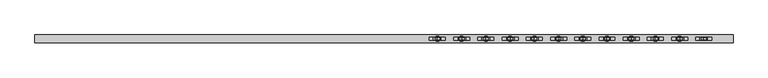
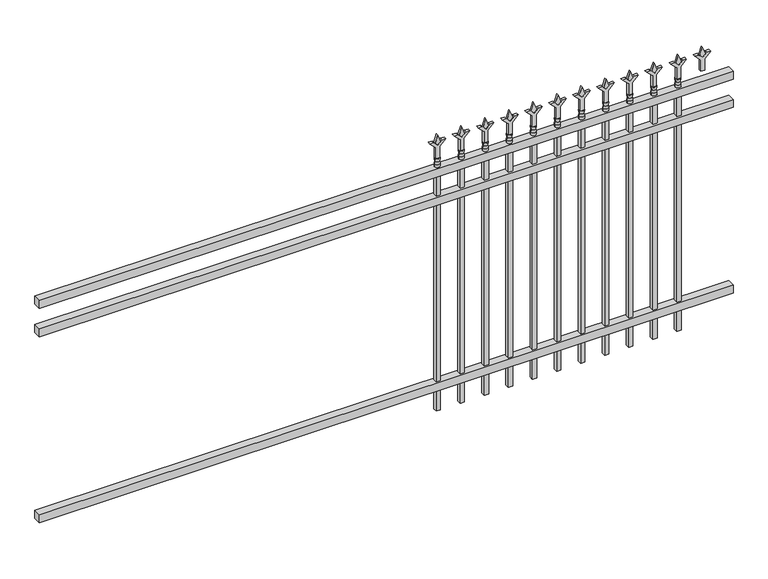
"""IFC4 building model written with IfcOpenShell, lengths in millimetres: railing geometry."""

import ifcopenshell
import ifcopenshell.guid

model = None  # the IFC model being written
_history = None  # IfcOwnerHistory: only IFC2X3 demands one
_inside = {}  # id of a spatial element -> (the spatial element, [elements in it])
_under = {}  # id of a project, library or spatial element -> (it, [spatial elements below it])
_declared = {}  # id of a project -> (the project, [libraries it declares])
_typed = {}  # id of a type object -> (the type object, [elements of that type])
_made_of = {}  # id of a material, layer set ... -> (it, [elements and type objects made of it])


def new_model(schema):
    """Start an empty IFC model of exactly this schema.

    Asked for "IFC4X3", IfcOpenShell would pick the latest addendum, in which some entities
    have other attributes; the version numbers below select the first issue.
    IFC2X3 requires an IfcOwnerHistory on every rooted entity: one is made here for all.
    """
    global model, _history
    if schema == "IFC4X3":
        model = ifcopenshell.file(schema_version=(4, 3, 0, 0))
    else:
        model = ifcopenshell.file(schema=schema)
    _inside.clear()
    _under.clear()
    _declared.clear()
    _typed.clear()
    _made_of.clear()
    _history = None
    if model.schema == "IFC2X3":
        org = make("IfcOrganization", Name="unknown")
        user = make(
            "IfcPersonAndOrganization",
            ThePerson=make("IfcPerson", FamilyName="unknown"),
            TheOrganization=org,
        )
        app = make(
            "IfcApplication",
            ApplicationDeveloper=org,
            Version="unknown",
            ApplicationFullName="unknown",
            ApplicationIdentifier="unknown",
        )
        _history = make(
            "IfcOwnerHistory",
            OwningUser=user,
            OwningApplication=app,
            ChangeAction="ADDED",
            CreationDate=0,
        )
    return model


def make(cls, **values):
    """One entity of the class cls with the attributes given. An attribute that is None is left unset."""
    return model.create_entity(
        cls, **{name: value for name, value in values.items() if value is not None}
    )


def rooted(cls, **values):
    """An entity with a GlobalId (a new one), such as an element, a storey or a relation."""
    return make(cls, GlobalId=ifcopenshell.guid.new(), OwnerHistory=_history, **values)


def si_unit(unit_type, name, prefix=None):
    """IfcSIUnit, for example si_unit("LENGTHUNIT", "METRE", prefix="MILLI")."""
    return make("IfcSIUnit", UnitType=unit_type, Prefix=prefix, Name=name)


def assignment(units):
    """IfcUnitAssignment: the units of a project."""
    return None if units is None else make("IfcUnitAssignment", Units=units)


def point(xyz):
    """IfcCartesianPoint."""
    return None if xyz is None else make("IfcCartesianPoint", Coordinates=xyz)


def direction(xyz):
    """IfcDirection."""
    return None if xyz is None else make("IfcDirection", DirectionRatios=xyz)


def frame(location, z_axis=None, x_axis=None):
    """IfcAxis2Placement3D, a coordinate frame: its origin and axes. An axis left out is left unset."""
    return make(
        "IfcAxis2Placement3D",
        Location=point(location),
        Axis=direction(z_axis),
        RefDirection=direction(x_axis),
    )


def origin():
    """The frame at (0, 0, 0) with its axes left unset."""
    return frame((0.0, 0.0, 0.0))


def place(relative_to, where):
    """IfcLocalPlacement: puts the frame where relative to a parent placement (None: the world)."""
    return make(
        "IfcLocalPlacement", PlacementRelTo=relative_to, RelativePlacement=where
    )


def context(
    kind, dimensions, precision=None, world=None, true_north=None, identifier=None
):
    """IfcGeometricRepresentationContext, for example the 3D "Model" context."""
    return make(
        "IfcGeometricRepresentationContext",
        ContextIdentifier=identifier,
        ContextType=kind,
        CoordinateSpaceDimension=dimensions,
        Precision=precision,
        WorldCoordinateSystem=world,
        TrueNorth=true_north,
    )


def project(units=None, contexts=None):
    """IfcProject with its units and contexts."""
    return rooted(
        "IfcProject",
        Name="project",
        RepresentationContexts=contexts,
        UnitsInContext=assignment(units),
    )


def spatial(cls, under=None, at=None, **own):
    """A site, building, storey or space (cls), placed at a placement, below another one or the project."""
    s = rooted(cls, ObjectPlacement=at, **own)
    if under is not None:
        _under.setdefault(under.id(), (under, []))[1].append(s)
    return s


def polyline(points):
    """IfcPolyline through the points."""
    return make("IfcPolyline", Points=[point(p) for p in points])


def circle_curve(where, radius):
    """IfcCircle in the frame where."""
    return make("IfcCircle", Position=where, Radius=radius)


def outline(outer, holes=None, kind="AREA"):
    """IfcArbitraryClosedProfileDef: a profile drawn as a closed curve; with holes, ...WithVoids."""
    if holes is None:
        return make("IfcArbitraryClosedProfileDef", ProfileType=kind, OuterCurve=outer)
    return make(
        "IfcArbitraryProfileDefWithVoids",
        ProfileType=kind,
        OuterCurve=outer,
        InnerCurves=holes,
    )


def extrude(swept, where, along, depth):
    """IfcExtrudedAreaSolid: the profile swept, set in the frame where, extruded along a direction by depth."""
    return make(
        "IfcExtrudedAreaSolid",
        SweptArea=swept,
        Position=where,
        ExtrudedDirection=direction(along),
        Depth=depth,
    )


def shape(context_of_items, identifier, shape_type, items):
    """IfcShapeRepresentation: the items that make up one representation, for example the "Body"."""
    return make(
        "IfcShapeRepresentation",
        ContextOfItems=context_of_items,
        RepresentationIdentifier=identifier,
        RepresentationType=shape_type,
        Items=items,
    )


def source(mapping_origin, context_of_items, identifier, shape_type, items):
    """IfcRepresentationMap: a shape defined once, which mapped items show again and again."""
    return make(
        "IfcRepresentationMap",
        MappingOrigin=mapping_origin,
        MappedRepresentation=shape(context_of_items, identifier, shape_type, items),
    )


def transform(
    local_origin,
    x_axis=None,
    y_axis=None,
    z_axis=None,
    scale=None,
    scale2=None,
    scale3=None,
    uniform=True,
):
    """IfcCartesianTransformationOperator3D, or its non-uniform kind. x_axis, y_axis, z_axis: its Axis1, 2, 3."""
    if uniform:
        return make(
            "IfcCartesianTransformationOperator3D",
            Axis1=direction(x_axis),
            Axis2=direction(y_axis),
            LocalOrigin=point(local_origin),
            Scale=scale,
            Axis3=direction(z_axis),
        )
    return make(
        "IfcCartesianTransformationOperator3DnonUniform",
        Axis1=direction(x_axis),
        Axis2=direction(y_axis),
        LocalOrigin=point(local_origin),
        Scale=scale,
        Axis3=direction(z_axis),
        Scale2=scale2,
        Scale3=scale3,
    )


def mapped(mapping_source, mapping_target):
    """IfcMappedItem: shows the shape of a source again, moved by a transform."""
    return make(
        "IfcMappedItem", MappingSource=mapping_source, MappingTarget=mapping_target
    )


def made_of(thing, what):
    """Note that an element or type object is made of a material, layer set ...; save() writes the relation."""
    if what is not None:
        _made_of.setdefault(what.id(), (what, []))[1].append(thing)
    return thing


def element(
    cls,
    number,
    at=None,
    inside=None,
    cuts=None,
    type_object=None,
    material=None,
    context=None,
    identifier="Body",
    shape_type=None,
    held_by="IfcProductDefinitionShape",
    body=None,
    shapes=None,
    **own,
):
    """One element of the class cls, such as IfcWall. Its Tag is "e" and its number.

    at: its placement. inside: the storey or other place that contains it. cuts: it is an
    opening in that element (IfcRelVoidsElement). A single representation is given by context,
    identifier, shape_type and body (its items); several are given by shapes. held_by: the class
    of the entity that holds the representations. save() writes the other relations.
    """
    e = rooted(cls, Tag="e%d" % number, ObjectPlacement=at, **own)
    if body is not None:
        shapes = [shape(context, identifier, shape_type, body)]
    if shapes is not None:
        e.Representation = make(held_by, Representations=shapes)
    if inside is not None:
        _inside.setdefault(inside.id(), (inside, []))[1].append(e)
    if cuts is not None:
        rooted(
            "IfcRelVoidsElement", RelatingBuildingElement=cuts, RelatedOpeningElement=e
        )
    if type_object is not None:
        _typed.setdefault(type_object.id(), (type_object, []))[1].append(e)
    return made_of(e, material)


def aggregate(whole, parts):
    """IfcRelAggregates: a whole, such as a stair, and the parts it consists of."""
    return rooted("IfcRelAggregates", RelatingObject=whole, RelatedObjects=parts)


def save(model, path):
    """Write the relations noted so far, then the file.

    IfcRelAggregates (storeys below a building ...), IfcRelContainedInSpatialStructure (elements
    in a storey), IfcRelDefinesByType, IfcRelAssociatesMaterial and IfcRelDeclares: one each for
    every whole, place, type object, material and project.
    """
    for whole, parts in _under.values():
        aggregate(whole, parts)
    for where, things in _inside.values():
        rooted(
            "IfcRelContainedInSpatialStructure",
            RelatedElements=things,
            RelatingStructure=where,
        )
    for kind, things in _typed.values():
        rooted("IfcRelDefinesByType", RelatedObjects=things, RelatingType=kind)
    for what, things in _made_of.values():
        rooted("IfcRelAssociatesMaterial", RelatedObjects=things, RelatingMaterial=what)
    for by, libraries in _declared.values():
        rooted("IfcRelDeclares", RelatingContext=by, RelatedDefinitions=libraries)
    model.write(path)


def plane_surface(at):
    """IfcPlane: the flat surface through the origin of the frame at, square to its z axis."""
    return make("IfcPlane", Position=at)


def cylinder_surface(at, radius):
    """IfcCylindricalSurface: all points at the distance radius from the z axis of the frame at."""
    return make("IfcCylindricalSurface", Position=at, Radius=radius)


def revolved_surface(curve, axis_point, axis_direction):
    """IfcSurfaceOfRevolution: the curve turned about the line through axis_point along axis_direction."""
    return make(
        "IfcSurfaceOfRevolution",
        SweptCurve=make("IfcArbitraryOpenProfileDef", ProfileType="CURVE", Curve=curve),
        AxisPosition=make("IfcAxis1Placement", Location=point(axis_point), Axis=direction(axis_direction)),
    )


def advanced_brep(points, edges, surfaces, faces):
    """IfcAdvancedBrep: a solid bounded by faces that lie on surfaces and meet in shared edges.

    An edge is (start, end): straight between two places in points (the first is 0);
    or (start, end, curve); or (start, end, curve, False) where it runs against its curve.
    A face is (place in surfaces, loops), or (place, loops, False) where it looks against
    its surface's normal. A loop lists edges by number (the first is 1), with a minus sign
    where the edge is run from its end to its start. The first loop is the outer one.
    """
    corners = [point(p) for p in points]
    vertices = [make("IfcVertexPoint", VertexGeometry=c) for c in corners]
    made = []
    for start, end, *more in edges:
        made.append(
            make(
                "IfcEdgeCurve",
                EdgeStart=vertices[start],
                EdgeEnd=vertices[end],
                EdgeGeometry=more[0] if more else make("IfcPolyline", Points=[corners[start], corners[end]]),
                SameSense=more[1] if len(more) > 1 else True,
            )
        )
    hull = []
    for where, loops, *sense in faces:
        bounds = []
        for j, loop in enumerate(loops):
            ring = [make("IfcOrientedEdge", EdgeElement=made[abs(k) - 1], Orientation=k > 0) for k in loop]
            bounds.append(
                make(
                    "IfcFaceOuterBound" if j == 0 else "IfcFaceBound",
                    Bound=make("IfcEdgeLoop", EdgeList=ring),
                    Orientation=True,
                )
            )
        hull.append(make("IfcAdvancedFace", Bounds=bounds, FaceSurface=surfaces[where], SameSense=sense[0] if sense else True))
    return make("IfcAdvancedBrep", Outer=make("IfcClosedShell", CfsFaces=hull))


def railing_87eea2e6(model_context):
    return source(origin(), model_context, "Body", "SolidModel", [
        extrude(outline(polyline([(-73537.318087, -652.7195174), (-73537.318087, -617.7945174), (-70387.718087, -617.7945174), (-70387.718087, -652.7195174), (-73537.318087, -652.7195174)])), frame((0.0, 0.0, 1181.1), z_axis=(0.0, 0.0, 1.0), x_axis=(1.0, 0.0, 0.0)), (0.0, 0.0, 1.0), 38.1),
        extrude(outline(polyline([(-73537.318087, -652.7195174), (-73537.318087, -617.7945174), (-70387.718087, -617.7945174), (-70387.718087, -652.7195174), (-73537.318087, -652.7195174)])), frame((0.0, 0.0, 1044.575), z_axis=(0.0, 0.0, 1.0), x_axis=(1.0, 0.0, 0.0)), (0.0, 0.0, 1.0), 38.1),
        extrude(outline(polyline([(-73537.318087, -652.7195174), (-73537.318087, -617.7945174), (-70387.718087, -617.7945174), (-70387.718087, -652.7195174), (-73537.318087, -652.7195174)])), frame((0.0, 0.0, 152.4), z_axis=(0.0, 0.0, 1.0), x_axis=(1.0, 0.0, 0.0)), (0.0, 0.0, 1.0), 38.1),
        extrude(outline(polyline([(1335.88125, -70616.8472536), (1371.6, -70628.7535036), (1335.88125, -70640.6597536), (1323.975, -70628.7535036), (1335.88125, -70616.8472536)])), frame((0.0, -640.0195174, 0.0), z_axis=(0.0, 1.0, 0.0), x_axis=(0.0, 0.0, 1.0)), (0.0, 0.0, 1.0), 9.525),
        extrude(outline(polyline([(1260.475, -70620.0222536), (1314.7457378, -70620.0222536), (1341.9355122, -70592.8324791), (1341.9355122, -70610.7929914), (1323.975, -70628.7535036), (1341.9355122, -70646.7140159), (1341.9355122, -70664.6745281), (1314.7457378, -70637.4847536), (1260.475, -70637.4847536), (1260.475, -70620.0222536)])), frame((0.0, -641.6070174, 0.0), z_axis=(0.0, 1.0, 0.0), x_axis=(0.0, 0.0, 1.0)), (0.0, 0.0, 1.0), 12.7),
        advanced_brep(
        [(-70616.8472536, -635.2570174, 1231.9), (-70640.6597536, -635.2570174, 1231.9), (-70640.6597536, -635.2570174, 1219.2), (-70616.8472536, -635.2570174, 1219.2), (-70619.0525855, -635.2570174, 1244.4070585), (-70638.4544218, -635.2570174, 1244.4070585), (-70616.8472536, -635.2570174, 1260.475), (-70640.6597536, -635.2570174, 1260.475), (-70628.7535036, -635.2570174, 1260.475), (-70628.7535036, -635.2570174, 1219.2)],
        [
            (0, 1, circle_curve(frame((-70628.7535036, -635.2570174, 1231.9), z_axis=(0.0, 0.0, -1.0), x_axis=(-1.0, 0.0, 0.0)), 11.90625)),
            (1, 2),
            (2, 3, circle_curve(frame((-70628.7535036, -635.2570174, 1219.2), z_axis=(0.0, 0.0, 1.0), x_axis=(-1.0, 0.0, 0.0)), 11.90625)),
            (3, 0),
            (1, 0, circle_curve(frame((-70628.7535036, -635.2570174, 1231.9), z_axis=(0.0, 0.0, -1.0), x_axis=(-1.0, 0.0, 0.0)), 11.90625)),
            (3, 2, circle_curve(frame((-70628.7535036, -635.2570174, 1219.2), z_axis=(0.0, 0.0, 1.0), x_axis=(-1.0, 0.0, 0.0)), 11.90625)),
            (4, 5, circle_curve(frame((-70628.7535036, -635.2570174, 1244.4070585), z_axis=(0.0, 0.0, -1.0), x_axis=(-1.0, 0.0, 0.0)), 9.7009181)),
            (5, 1),
            (0, 4),
            (5, 4, circle_curve(frame((-70628.7535036, -635.2570174, 1244.4070585), z_axis=(0.0, 0.0, -1.0), x_axis=(-1.0, 0.0, 0.0)), 9.7009181)),
            (6, 7, circle_curve(frame((-70628.7535036, -635.2570174, 1260.475), z_axis=(0.0, 0.0, -1.0), x_axis=(-1.0, 0.0, 0.0)), 11.90625)),
            (7, 5),
            (4, 6),
            (7, 6, circle_curve(frame((-70628.7535036, -635.2570174, 1260.475), z_axis=(0.0, 0.0, -1.0), x_axis=(-1.0, 0.0, 0.0)), 11.90625)),
            (8, 7),
            (6, 8),
            (2, 9),
            (9, 3),
        ],
        [
            cylinder_surface(frame((-70628.7535036, -635.2570174, 1219.2), z_axis=(0.0, 0.0, 1.0), x_axis=(-1.0, 0.0, 0.0)), 11.90625),
            revolved_surface(polyline([(-70640.6597536, -635.2570174, 1231.9), (-70638.4544218, -635.2570174, 1244.4070585)]), (-70628.7535036, -635.2570174, 1219.2), (0.0, 0.0, 1.0)),
            revolved_surface(polyline([(-70638.4544218, -635.2570174, 1244.4070585), (-70640.6597536, -635.2570174, 1260.475)]), (-70628.7535036, -635.2570174, 1219.2), (0.0, 0.0, 1.0)),
            plane_surface(frame((-70628.7535036, -635.2570174, 1260.475), z_axis=(0.0, 0.0, 1.0), x_axis=(-1.0, 0.0, 0.0))),
            plane_surface(frame((-70628.7535036, -635.2570174, 1219.2), z_axis=(0.0, 0.0, -1.0), x_axis=(-1.0, 0.0, 0.0))),
        ],
        [
            (0, [[1, 2, 3, 4]]),
            (0, [[5, -4, 6, -2]]),
            (1, [[7, 8, -1, 9]]),
            (1, [[10, -9, -5, -8]]),
            (2, [[11, 12, -7, 13]]),
            (2, [[14, -13, -10, -12]]),
            (3, [[15, -11, 16]]),
            (3, [[-16, -14, -15]]),
            (4, [[-3, 17, 18]]),
            (4, [[-6, -18, -17]]),
        ],
    ),
        extrude(outline(polyline([(-70638.2785036, -625.7320174), (-70619.2285036, -625.7320174), (-70619.2285036, -644.7820174), (-70638.2785036, -644.7820174), (-70638.2785036, -625.7320174)])), frame((0.0, 0.0, 50.8), z_axis=(0.0, 0.0, 1.0), x_axis=(1.0, 0.0, 0.0)), (0.0, 0.0, 1.0), 1168.4),
        extrude(outline(polyline([(1335.88125, -70726.1201703), (1371.6, -70738.0264203), (1335.88125, -70749.9326703), (1323.975, -70738.0264203), (1335.88125, -70726.1201703)])), frame((0.0, -640.0195174, 0.0), z_axis=(0.0, 1.0, 0.0), x_axis=(0.0, 0.0, 1.0)), (0.0, 0.0, 1.0), 9.525),
        extrude(outline(polyline([(1260.475, -70729.2951703), (1314.7457378, -70729.2951703), (1341.9355122, -70702.1053958), (1341.9355122, -70720.0659081), (1323.975, -70738.0264203), (1341.9355122, -70755.9869325), (1341.9355122, -70773.9474448), (1314.7457378, -70746.7576703), (1260.475, -70746.7576703), (1260.475, -70729.2951703)])), frame((0.0, -641.6070174, 0.0), z_axis=(0.0, 1.0, 0.0), x_axis=(0.0, 0.0, 1.0)), (0.0, 0.0, 1.0), 12.7),
        advanced_brep(
        [(-70726.1201703, -635.2570174, 1231.9), (-70749.9326703, -635.2570174, 1231.9), (-70749.9326703, -635.2570174, 1219.2), (-70726.1201703, -635.2570174, 1219.2), (-70728.3255022, -635.2570174, 1244.4070585), (-70747.7273384, -635.2570174, 1244.4070585), (-70726.1201703, -635.2570174, 1260.475), (-70749.9326703, -635.2570174, 1260.475), (-70738.0264203, -635.2570174, 1260.475), (-70738.0264203, -635.2570174, 1219.2)],
        [
            (0, 1, circle_curve(frame((-70738.0264203, -635.2570174, 1231.9), z_axis=(0.0, 0.0, -1.0), x_axis=(-1.0, 0.0, 0.0)), 11.90625)),
            (1, 2),
            (2, 3, circle_curve(frame((-70738.0264203, -635.2570174, 1219.2), z_axis=(0.0, 0.0, 1.0), x_axis=(-1.0, 0.0, 0.0)), 11.90625)),
            (3, 0),
            (1, 0, circle_curve(frame((-70738.0264203, -635.2570174, 1231.9), z_axis=(0.0, 0.0, -1.0), x_axis=(-1.0, 0.0, 0.0)), 11.90625)),
            (3, 2, circle_curve(frame((-70738.0264203, -635.2570174, 1219.2), z_axis=(0.0, 0.0, 1.0), x_axis=(-1.0, 0.0, 0.0)), 11.90625)),
            (4, 5, circle_curve(frame((-70738.0264203, -635.2570174, 1244.4070585), z_axis=(0.0, 0.0, -1.0), x_axis=(-1.0, 0.0, 0.0)), 9.7009181)),
            (5, 1),
            (0, 4),
            (5, 4, circle_curve(frame((-70738.0264203, -635.2570174, 1244.4070585), z_axis=(0.0, 0.0, -1.0), x_axis=(-1.0, 0.0, 0.0)), 9.7009181)),
            (6, 7, circle_curve(frame((-70738.0264203, -635.2570174, 1260.475), z_axis=(0.0, 0.0, -1.0), x_axis=(-1.0, 0.0, 0.0)), 11.90625)),
            (7, 5),
            (4, 6),
            (7, 6, circle_curve(frame((-70738.0264203, -635.2570174, 1260.475), z_axis=(0.0, 0.0, -1.0), x_axis=(-1.0, 0.0, 0.0)), 11.90625)),
            (8, 7),
            (6, 8),
            (2, 9),
            (9, 3),
        ],
        [
            cylinder_surface(frame((-70738.0264203, -635.2570174, 1219.2), z_axis=(0.0, 0.0, 1.0), x_axis=(-1.0, 0.0, 0.0)), 11.90625),
            revolved_surface(polyline([(-70749.9326703, -635.2570174, 1231.9), (-70747.7273384, -635.2570174, 1244.4070585)]), (-70738.0264203, -635.2570174, 1219.2), (0.0, 0.0, 1.0)),
            revolved_surface(polyline([(-70747.7273384, -635.2570174, 1244.4070585), (-70749.9326703, -635.2570174, 1260.475)]), (-70738.0264203, -635.2570174, 1219.2), (0.0, 0.0, 1.0)),
            plane_surface(frame((-70738.0264203, -635.2570174, 1260.475), z_axis=(0.0, 0.0, 1.0), x_axis=(-1.0, 0.0, 0.0))),
            plane_surface(frame((-70738.0264203, -635.2570174, 1219.2), z_axis=(0.0, 0.0, -1.0), x_axis=(-1.0, 0.0, 0.0))),
        ],
        [
            (0, [[1, 2, 3, 4]]),
            (0, [[5, -4, 6, -2]]),
            (1, [[7, 8, -1, 9]]),
            (1, [[10, -9, -5, -8]]),
            (2, [[11, 12, -7, 13]]),
            (2, [[14, -13, -10, -12]]),
            (3, [[15, -11, 16]]),
            (3, [[-16, -14, -15]]),
            (4, [[-3, 17, 18]]),
            (4, [[-6, -18, -17]]),
        ],
    ),
        extrude(outline(polyline([(-70747.5514203, -625.7320174), (-70728.5014203, -625.7320174), (-70728.5014203, -644.7820174), (-70747.5514203, -644.7820174), (-70747.5514203, -625.7320174)])), frame((0.0, 0.0, 50.8), z_axis=(0.0, 0.0, 1.0), x_axis=(1.0, 0.0, 0.0)), (0.0, 0.0, 1.0), 1168.4),
        extrude(outline(polyline([(1335.88125, -70835.393087), (1371.6, -70847.299337), (1335.88125, -70859.205587), (1323.975, -70847.299337), (1335.88125, -70835.393087)])), frame((0.0, -640.0195174, 0.0), z_axis=(0.0, 1.0, 0.0), x_axis=(0.0, 0.0, 1.0)), (0.0, 0.0, 1.0), 9.525),
        extrude(outline(polyline([(1260.475, -70838.568087), (1314.7457378, -70838.568087), (1341.9355122, -70811.3783125), (1341.9355122, -70829.3388247), (1323.975, -70847.299337), (1341.9355122, -70865.2598492), (1341.9355122, -70883.2203614), (1314.7457378, -70856.030587), (1260.475, -70856.030587), (1260.475, -70838.568087)])), frame((0.0, -641.6070174, 0.0), z_axis=(0.0, 1.0, 0.0), x_axis=(0.0, 0.0, 1.0)), (0.0, 0.0, 1.0), 12.7),
        advanced_brep(
        [(-70835.393087, -635.2570174, 1231.9), (-70859.205587, -635.2570174, 1231.9), (-70859.205587, -635.2570174, 1219.2), (-70835.393087, -635.2570174, 1219.2), (-70837.5984188, -635.2570174, 1244.4070585), (-70857.0002551, -635.2570174, 1244.4070585), (-70835.393087, -635.2570174, 1260.475), (-70859.205587, -635.2570174, 1260.475), (-70847.299337, -635.2570174, 1260.475), (-70847.299337, -635.2570174, 1219.2)],
        [
            (0, 1, circle_curve(frame((-70847.299337, -635.2570174, 1231.9), z_axis=(0.0, 0.0, -1.0), x_axis=(-1.0, 0.0, 0.0)), 11.90625)),
            (1, 2),
            (2, 3, circle_curve(frame((-70847.299337, -635.2570174, 1219.2), z_axis=(0.0, 0.0, 1.0), x_axis=(-1.0, 0.0, 0.0)), 11.90625)),
            (3, 0),
            (1, 0, circle_curve(frame((-70847.299337, -635.2570174, 1231.9), z_axis=(0.0, 0.0, -1.0), x_axis=(-1.0, 0.0, 0.0)), 11.90625)),
            (3, 2, circle_curve(frame((-70847.299337, -635.2570174, 1219.2), z_axis=(0.0, 0.0, 1.0), x_axis=(-1.0, 0.0, 0.0)), 11.90625)),
            (4, 5, circle_curve(frame((-70847.299337, -635.2570174, 1244.4070585), z_axis=(0.0, 0.0, -1.0), x_axis=(-1.0, 0.0, 0.0)), 9.7009181)),
            (5, 1),
            (0, 4),
            (5, 4, circle_curve(frame((-70847.299337, -635.2570174, 1244.4070585), z_axis=(0.0, 0.0, -1.0), x_axis=(-1.0, 0.0, 0.0)), 9.7009181)),
            (6, 7, circle_curve(frame((-70847.299337, -635.2570174, 1260.475), z_axis=(0.0, 0.0, -1.0), x_axis=(-1.0, 0.0, 0.0)), 11.90625)),
            (7, 5),
            (4, 6),
            (7, 6, circle_curve(frame((-70847.299337, -635.2570174, 1260.475), z_axis=(0.0, 0.0, -1.0), x_axis=(-1.0, 0.0, 0.0)), 11.90625)),
            (8, 7),
            (6, 8),
            (2, 9),
            (9, 3),
        ],
        [
            cylinder_surface(frame((-70847.299337, -635.2570174, 1219.2), z_axis=(0.0, 0.0, 1.0), x_axis=(-1.0, 0.0, 0.0)), 11.90625),
            revolved_surface(polyline([(-70859.205587, -635.2570174, 1231.9), (-70857.0002551, -635.2570174, 1244.4070585)]), (-70847.299337, -635.2570174, 1219.2), (0.0, 0.0, 1.0)),
            revolved_surface(polyline([(-70857.0002551, -635.2570174, 1244.4070585), (-70859.205587, -635.2570174, 1260.475)]), (-70847.299337, -635.2570174, 1219.2), (0.0, 0.0, 1.0)),
            plane_surface(frame((-70847.299337, -635.2570174, 1260.475), z_axis=(0.0, 0.0, 1.0), x_axis=(-1.0, 0.0, 0.0))),
            plane_surface(frame((-70847.299337, -635.2570174, 1219.2), z_axis=(0.0, 0.0, -1.0), x_axis=(-1.0, 0.0, 0.0))),
        ],
        [
            (0, [[1, 2, 3, 4]]),
            (0, [[5, -4, 6, -2]]),
            (1, [[7, 8, -1, 9]]),
            (1, [[10, -9, -5, -8]]),
            (2, [[11, 12, -7, 13]]),
            (2, [[14, -13, -10, -12]]),
            (3, [[15, -11, 16]]),
            (3, [[-16, -14, -15]]),
            (4, [[-3, 17, 18]]),
            (4, [[-6, -18, -17]]),
        ],
    ),
        extrude(outline(polyline([(-70856.824337, -625.7320174), (-70837.774337, -625.7320174), (-70837.774337, -644.7820174), (-70856.824337, -644.7820174), (-70856.824337, -625.7320174)])), frame((0.0, 0.0, 50.8), z_axis=(0.0, 0.0, 1.0), x_axis=(1.0, 0.0, 0.0)), (0.0, 0.0, 1.0), 1168.4),
        extrude(outline(polyline([(1335.88125, -70944.6660036), (1371.6, -70956.5722536), (1335.88125, -70968.4785036), (1323.975, -70956.5722536), (1335.88125, -70944.6660036)])), frame((0.0, -640.0195174, 0.0), z_axis=(0.0, 1.0, 0.0), x_axis=(0.0, 0.0, 1.0)), (0.0, 0.0, 1.0), 9.525),
        extrude(outline(polyline([(1260.475, -70947.8410036), (1314.7457378, -70947.8410036), (1341.9355122, -70920.6512291), (1341.9355122, -70938.6117414), (1323.975, -70956.5722536), (1341.9355122, -70974.5327659), (1341.9355122, -70992.4932781), (1314.7457378, -70965.3035036), (1260.475, -70965.3035036), (1260.475, -70947.8410036)])), frame((0.0, -641.6070174, 0.0), z_axis=(0.0, 1.0, 0.0), x_axis=(0.0, 0.0, 1.0)), (0.0, 0.0, 1.0), 12.7),
        advanced_brep(
        [(-70944.6660036, -635.2570174, 1231.9), (-70968.4785036, -635.2570174, 1231.9), (-70968.4785036, -635.2570174, 1219.2), (-70944.6660036, -635.2570174, 1219.2), (-70946.8713355, -635.2570174, 1244.4070585), (-70966.2731718, -635.2570174, 1244.4070585), (-70944.6660036, -635.2570174, 1260.475), (-70968.4785036, -635.2570174, 1260.475), (-70956.5722536, -635.2570174, 1260.475), (-70956.5722536, -635.2570174, 1219.2)],
        [
            (0, 1, circle_curve(frame((-70956.5722536, -635.2570174, 1231.9), z_axis=(0.0, 0.0, -1.0), x_axis=(-1.0, 0.0, 0.0)), 11.90625)),
            (1, 2),
            (2, 3, circle_curve(frame((-70956.5722536, -635.2570174, 1219.2), z_axis=(0.0, 0.0, 1.0), x_axis=(-1.0, 0.0, 0.0)), 11.90625)),
            (3, 0),
            (1, 0, circle_curve(frame((-70956.5722536, -635.2570174, 1231.9), z_axis=(0.0, 0.0, -1.0), x_axis=(-1.0, 0.0, 0.0)), 11.90625)),
            (3, 2, circle_curve(frame((-70956.5722536, -635.2570174, 1219.2), z_axis=(0.0, 0.0, 1.0), x_axis=(-1.0, 0.0, 0.0)), 11.90625)),
            (4, 5, circle_curve(frame((-70956.5722536, -635.2570174, 1244.4070585), z_axis=(0.0, 0.0, -1.0), x_axis=(-1.0, 0.0, 0.0)), 9.7009181)),
            (5, 1),
            (0, 4),
            (5, 4, circle_curve(frame((-70956.5722536, -635.2570174, 1244.4070585), z_axis=(0.0, 0.0, -1.0), x_axis=(-1.0, 0.0, 0.0)), 9.7009181)),
            (6, 7, circle_curve(frame((-70956.5722536, -635.2570174, 1260.475), z_axis=(0.0, 0.0, -1.0), x_axis=(-1.0, 0.0, 0.0)), 11.90625)),
            (7, 5),
            (4, 6),
            (7, 6, circle_curve(frame((-70956.5722536, -635.2570174, 1260.475), z_axis=(0.0, 0.0, -1.0), x_axis=(-1.0, 0.0, 0.0)), 11.90625)),
            (8, 7),
            (6, 8),
            (2, 9),
            (9, 3),
        ],
        [
            cylinder_surface(frame((-70956.5722536, -635.2570174, 1219.2), z_axis=(0.0, 0.0, 1.0), x_axis=(-1.0, 0.0, 0.0)), 11.90625),
            revolved_surface(polyline([(-70968.4785036, -635.2570174, 1231.9), (-70966.2731718, -635.2570174, 1244.4070585)]), (-70956.5722536, -635.2570174, 1219.2), (0.0, 0.0, 1.0)),
            revolved_surface(polyline([(-70966.2731718, -635.2570174, 1244.4070585), (-70968.4785036, -635.2570174, 1260.475)]), (-70956.5722536, -635.2570174, 1219.2), (0.0, 0.0, 1.0)),
            plane_surface(frame((-70956.5722536, -635.2570174, 1260.475), z_axis=(0.0, 0.0, 1.0), x_axis=(-1.0, 0.0, 0.0))),
            plane_surface(frame((-70956.5722536, -635.2570174, 1219.2), z_axis=(0.0, 0.0, -1.0), x_axis=(-1.0, 0.0, 0.0))),
        ],
        [
            (0, [[1, 2, 3, 4]]),
            (0, [[5, -4, 6, -2]]),
            (1, [[7, 8, -1, 9]]),
            (1, [[10, -9, -5, -8]]),
            (2, [[11, 12, -7, 13]]),
            (2, [[14, -13, -10, -12]]),
            (3, [[15, -11, 16]]),
            (3, [[-16, -14, -15]]),
            (4, [[-3, 17, 18]]),
            (4, [[-6, -18, -17]]),
        ],
    ),
        extrude(outline(polyline([(-70966.0972536, -625.7320174), (-70947.0472536, -625.7320174), (-70947.0472536, -644.7820174), (-70966.0972536, -644.7820174), (-70966.0972536, -625.7320174)])), frame((0.0, 0.0, 50.8), z_axis=(0.0, 0.0, 1.0), x_axis=(1.0, 0.0, 0.0)), (0.0, 0.0, 1.0), 1168.4),
        extrude(outline(polyline([(1335.88125, -71053.9389203), (1371.6, -71065.8451703), (1335.88125, -71077.7514203), (1323.975, -71065.8451703), (1335.88125, -71053.9389203)])), frame((0.0, -640.0195174, 0.0), z_axis=(0.0, 1.0, 0.0), x_axis=(0.0, 0.0, 1.0)), (0.0, 0.0, 1.0), 9.525),
        extrude(outline(polyline([(1260.475, -71057.1139203), (1314.7457378, -71057.1139203), (1341.9355122, -71029.9241458), (1341.9355122, -71047.8846581), (1323.975, -71065.8451703), (1341.9355122, -71083.8056825), (1341.9355122, -71101.7661948), (1314.7457378, -71074.5764203), (1260.475, -71074.5764203), (1260.475, -71057.1139203)])), frame((0.0, -641.6070174, 0.0), z_axis=(0.0, 1.0, 0.0), x_axis=(0.0, 0.0, 1.0)), (0.0, 0.0, 1.0), 12.7),
        advanced_brep(
        [(-71053.9389203, -635.2570174, 1231.9), (-71077.7514203, -635.2570174, 1231.9), (-71077.7514203, -635.2570174, 1219.2), (-71053.9389203, -635.2570174, 1219.2), (-71056.1442522, -635.2570174, 1244.4070585), (-71075.5460884, -635.2570174, 1244.4070585), (-71053.9389203, -635.2570174, 1260.475), (-71077.7514203, -635.2570174, 1260.475), (-71065.8451703, -635.2570174, 1260.475), (-71065.8451703, -635.2570174, 1219.2)],
        [
            (0, 1, circle_curve(frame((-71065.8451703, -635.2570174, 1231.9), z_axis=(0.0, 0.0, -1.0), x_axis=(-1.0, 0.0, 0.0)), 11.90625)),
            (1, 2),
            (2, 3, circle_curve(frame((-71065.8451703, -635.2570174, 1219.2), z_axis=(0.0, 0.0, 1.0), x_axis=(-1.0, 0.0, 0.0)), 11.90625)),
            (3, 0),
            (1, 0, circle_curve(frame((-71065.8451703, -635.2570174, 1231.9), z_axis=(0.0, 0.0, -1.0), x_axis=(-1.0, 0.0, 0.0)), 11.90625)),
            (3, 2, circle_curve(frame((-71065.8451703, -635.2570174, 1219.2), z_axis=(0.0, 0.0, 1.0), x_axis=(-1.0, 0.0, 0.0)), 11.90625)),
            (4, 5, circle_curve(frame((-71065.8451703, -635.2570174, 1244.4070585), z_axis=(0.0, 0.0, -1.0), x_axis=(-1.0, 0.0, 0.0)), 9.7009181)),
            (5, 1),
            (0, 4),
            (5, 4, circle_curve(frame((-71065.8451703, -635.2570174, 1244.4070585), z_axis=(0.0, 0.0, -1.0), x_axis=(-1.0, 0.0, 0.0)), 9.7009181)),
            (6, 7, circle_curve(frame((-71065.8451703, -635.2570174, 1260.475), z_axis=(0.0, 0.0, -1.0), x_axis=(-1.0, 0.0, 0.0)), 11.90625)),
            (7, 5),
            (4, 6),
            (7, 6, circle_curve(frame((-71065.8451703, -635.2570174, 1260.475), z_axis=(0.0, 0.0, -1.0), x_axis=(-1.0, 0.0, 0.0)), 11.90625)),
            (8, 7),
            (6, 8),
            (2, 9),
            (9, 3),
        ],
        [
            cylinder_surface(frame((-71065.8451703, -635.2570174, 1219.2), z_axis=(0.0, 0.0, 1.0), x_axis=(-1.0, 0.0, 0.0)), 11.90625),
            revolved_surface(polyline([(-71077.7514203, -635.2570174, 1231.9), (-71075.5460884, -635.2570174, 1244.4070585)]), (-71065.8451703, -635.2570174, 1219.2), (0.0, 0.0, 1.0)),
            revolved_surface(polyline([(-71075.5460884, -635.2570174, 1244.4070585), (-71077.7514203, -635.2570174, 1260.475)]), (-71065.8451703, -635.2570174, 1219.2), (0.0, 0.0, 1.0)),
            plane_surface(frame((-71065.8451703, -635.2570174, 1260.475), z_axis=(0.0, 0.0, 1.0), x_axis=(-1.0, 0.0, 0.0))),
            plane_surface(frame((-71065.8451703, -635.2570174, 1219.2), z_axis=(0.0, 0.0, -1.0), x_axis=(-1.0, 0.0, 0.0))),
        ],
        [
            (0, [[1, 2, 3, 4]]),
            (0, [[5, -4, 6, -2]]),
            (1, [[7, 8, -1, 9]]),
            (1, [[10, -9, -5, -8]]),
            (2, [[11, 12, -7, 13]]),
            (2, [[14, -13, -10, -12]]),
            (3, [[15, -11, 16]]),
            (3, [[-16, -14, -15]]),
            (4, [[-3, 17, 18]]),
            (4, [[-6, -18, -17]]),
        ],
    ),
        extrude(outline(polyline([(-71075.3701703, -625.7320174), (-71056.3201703, -625.7320174), (-71056.3201703, -644.7820174), (-71075.3701703, -644.7820174), (-71075.3701703, -625.7320174)])), frame((0.0, 0.0, 50.8), z_axis=(0.0, 0.0, 1.0), x_axis=(1.0, 0.0, 0.0)), (0.0, 0.0, 1.0), 1168.4),
        extrude(outline(polyline([(1335.88125, -71163.211837), (1371.6, -71175.118087), (1335.88125, -71187.024337), (1323.975, -71175.118087), (1335.88125, -71163.211837)])), frame((0.0, -640.0195174, 0.0), z_axis=(0.0, 1.0, 0.0), x_axis=(0.0, 0.0, 1.0)), (0.0, 0.0, 1.0), 9.525),
        extrude(outline(polyline([(1260.475, -71166.386837), (1314.7457378, -71166.386837), (1341.9355122, -71139.1970625), (1341.9355122, -71157.1575747), (1323.975, -71175.118087), (1341.9355122, -71193.0785992), (1341.9355122, -71211.0391114), (1314.7457378, -71183.849337), (1260.475, -71183.849337), (1260.475, -71166.386837)])), frame((0.0, -641.6070174, 0.0), z_axis=(0.0, 1.0, 0.0), x_axis=(0.0, 0.0, 1.0)), (0.0, 0.0, 1.0), 12.7),
        advanced_brep(
        [(-71163.211837, -635.2570174, 1231.9), (-71187.024337, -635.2570174, 1231.9), (-71187.024337, -635.2570174, 1219.2), (-71163.211837, -635.2570174, 1219.2), (-71165.4171688, -635.2570174, 1244.4070585), (-71184.8190051, -635.2570174, 1244.4070585), (-71163.211837, -635.2570174, 1260.475), (-71187.024337, -635.2570174, 1260.475), (-71175.118087, -635.2570174, 1260.475), (-71175.118087, -635.2570174, 1219.2)],
        [
            (0, 1, circle_curve(frame((-71175.118087, -635.2570174, 1231.9), z_axis=(0.0, 0.0, -1.0), x_axis=(-1.0, 0.0, 0.0)), 11.90625)),
            (1, 2),
            (2, 3, circle_curve(frame((-71175.118087, -635.2570174, 1219.2), z_axis=(0.0, 0.0, 1.0), x_axis=(-1.0, 0.0, 0.0)), 11.90625)),
            (3, 0),
            (1, 0, circle_curve(frame((-71175.118087, -635.2570174, 1231.9), z_axis=(0.0, 0.0, -1.0), x_axis=(-1.0, 0.0, 0.0)), 11.90625)),
            (3, 2, circle_curve(frame((-71175.118087, -635.2570174, 1219.2), z_axis=(0.0, 0.0, 1.0), x_axis=(-1.0, 0.0, 0.0)), 11.90625)),
            (4, 5, circle_curve(frame((-71175.118087, -635.2570174, 1244.4070585), z_axis=(0.0, 0.0, -1.0), x_axis=(-1.0, 0.0, 0.0)), 9.7009181)),
            (5, 1),
            (0, 4),
            (5, 4, circle_curve(frame((-71175.118087, -635.2570174, 1244.4070585), z_axis=(0.0, 0.0, -1.0), x_axis=(-1.0, 0.0, 0.0)), 9.7009181)),
            (6, 7, circle_curve(frame((-71175.118087, -635.2570174, 1260.475), z_axis=(0.0, 0.0, -1.0), x_axis=(-1.0, 0.0, 0.0)), 11.90625)),
            (7, 5),
            (4, 6),
            (7, 6, circle_curve(frame((-71175.118087, -635.2570174, 1260.475), z_axis=(0.0, 0.0, -1.0), x_axis=(-1.0, 0.0, 0.0)), 11.90625)),
            (8, 7),
            (6, 8),
            (2, 9),
            (9, 3),
        ],
        [
            cylinder_surface(frame((-71175.118087, -635.2570174, 1219.2), z_axis=(0.0, 0.0, 1.0), x_axis=(-1.0, 0.0, 0.0)), 11.90625),
            revolved_surface(polyline([(-71187.024337, -635.2570174, 1231.9), (-71184.8190051, -635.2570174, 1244.4070585)]), (-71175.118087, -635.2570174, 1219.2), (0.0, 0.0, 1.0)),
            revolved_surface(polyline([(-71184.8190051, -635.2570174, 1244.4070585), (-71187.024337, -635.2570174, 1260.475)]), (-71175.118087, -635.2570174, 1219.2), (0.0, 0.0, 1.0)),
            plane_surface(frame((-71175.118087, -635.2570174, 1260.475), z_axis=(0.0, 0.0, 1.0), x_axis=(-1.0, 0.0, 0.0))),
            plane_surface(frame((-71175.118087, -635.2570174, 1219.2), z_axis=(0.0, 0.0, -1.0), x_axis=(-1.0, 0.0, 0.0))),
        ],
        [
            (0, [[1, 2, 3, 4]]),
            (0, [[5, -4, 6, -2]]),
            (1, [[7, 8, -1, 9]]),
            (1, [[10, -9, -5, -8]]),
            (2, [[11, 12, -7, 13]]),
            (2, [[14, -13, -10, -12]]),
            (3, [[15, -11, 16]]),
            (3, [[-16, -14, -15]]),
            (4, [[-3, 17, 18]]),
            (4, [[-6, -18, -17]]),
        ],
    ),
        extrude(outline(polyline([(-71184.643087, -625.7320174), (-71165.593087, -625.7320174), (-71165.593087, -644.7820174), (-71184.643087, -644.7820174), (-71184.643087, -625.7320174)])), frame((0.0, 0.0, 50.8), z_axis=(0.0, 0.0, 1.0), x_axis=(1.0, 0.0, 0.0)), (0.0, 0.0, 1.0), 1168.4),
        extrude(outline(polyline([(1335.88125, -71272.4847536), (1371.6, -71284.3910036), (1335.88125, -71296.2972536), (1323.975, -71284.3910036), (1335.88125, -71272.4847536)])), frame((0.0, -640.0195174, 0.0), z_axis=(0.0, 1.0, 0.0), x_axis=(0.0, 0.0, 1.0)), (0.0, 0.0, 1.0), 9.525),
        extrude(outline(polyline([(1260.475, -71275.6597536), (1314.7457378, -71275.6597536), (1341.9355122, -71248.4699791), (1341.9355122, -71266.4304914), (1323.975, -71284.3910036), (1341.9355122, -71302.3515159), (1341.9355122, -71320.3120281), (1314.7457378, -71293.1222536), (1260.475, -71293.1222536), (1260.475, -71275.6597536)])), frame((0.0, -641.6070174, 0.0), z_axis=(0.0, 1.0, 0.0), x_axis=(0.0, 0.0, 1.0)), (0.0, 0.0, 1.0), 12.7),
        advanced_brep(
        [(-71272.4847536, -635.2570174, 1231.9), (-71296.2972536, -635.2570174, 1231.9), (-71296.2972536, -635.2570174, 1219.2), (-71272.4847536, -635.2570174, 1219.2), (-71274.6900855, -635.2570174, 1244.4070585), (-71294.0919218, -635.2570174, 1244.4070585), (-71272.4847536, -635.2570174, 1260.475), (-71296.2972536, -635.2570174, 1260.475), (-71284.3910036, -635.2570174, 1260.475), (-71284.3910036, -635.2570174, 1219.2)],
        [
            (0, 1, circle_curve(frame((-71284.3910036, -635.2570174, 1231.9), z_axis=(0.0, 0.0, -1.0), x_axis=(-1.0, 0.0, 0.0)), 11.90625)),
            (1, 2),
            (2, 3, circle_curve(frame((-71284.3910036, -635.2570174, 1219.2), z_axis=(0.0, 0.0, 1.0), x_axis=(-1.0, 0.0, 0.0)), 11.90625)),
            (3, 0),
            (1, 0, circle_curve(frame((-71284.3910036, -635.2570174, 1231.9), z_axis=(0.0, 0.0, -1.0), x_axis=(-1.0, 0.0, 0.0)), 11.90625)),
            (3, 2, circle_curve(frame((-71284.3910036, -635.2570174, 1219.2), z_axis=(0.0, 0.0, 1.0), x_axis=(-1.0, 0.0, 0.0)), 11.90625)),
            (4, 5, circle_curve(frame((-71284.3910036, -635.2570174, 1244.4070585), z_axis=(0.0, 0.0, -1.0), x_axis=(-1.0, 0.0, 0.0)), 9.7009181)),
            (5, 1),
            (0, 4),
            (5, 4, circle_curve(frame((-71284.3910036, -635.2570174, 1244.4070585), z_axis=(0.0, 0.0, -1.0), x_axis=(-1.0, 0.0, 0.0)), 9.7009181)),
            (6, 7, circle_curve(frame((-71284.3910036, -635.2570174, 1260.475), z_axis=(0.0, 0.0, -1.0), x_axis=(-1.0, 0.0, 0.0)), 11.90625)),
            (7, 5),
            (4, 6),
            (7, 6, circle_curve(frame((-71284.3910036, -635.2570174, 1260.475), z_axis=(0.0, 0.0, -1.0), x_axis=(-1.0, 0.0, 0.0)), 11.90625)),
            (8, 7),
            (6, 8),
            (2, 9),
            (9, 3),
        ],
        [
            cylinder_surface(frame((-71284.3910036, -635.2570174, 1219.2), z_axis=(0.0, 0.0, 1.0), x_axis=(-1.0, 0.0, 0.0)), 11.90625),
            revolved_surface(polyline([(-71296.2972536, -635.2570174, 1231.9), (-71294.0919218, -635.2570174, 1244.4070585)]), (-71284.3910036, -635.2570174, 1219.2), (0.0, 0.0, 1.0)),
            revolved_surface(polyline([(-71294.0919218, -635.2570174, 1244.4070585), (-71296.2972536, -635.2570174, 1260.475)]), (-71284.3910036, -635.2570174, 1219.2), (0.0, 0.0, 1.0)),
            plane_surface(frame((-71284.3910036, -635.2570174, 1260.475), z_axis=(0.0, 0.0, 1.0), x_axis=(-1.0, 0.0, 0.0))),
            plane_surface(frame((-71284.3910036, -635.2570174, 1219.2), z_axis=(0.0, 0.0, -1.0), x_axis=(-1.0, 0.0, 0.0))),
        ],
        [
            (0, [[1, 2, 3, 4]]),
            (0, [[5, -4, 6, -2]]),
            (1, [[7, 8, -1, 9]]),
            (1, [[10, -9, -5, -8]]),
            (2, [[11, 12, -7, 13]]),
            (2, [[14, -13, -10, -12]]),
            (3, [[15, -11, 16]]),
            (3, [[-16, -14, -15]]),
            (4, [[-3, 17, 18]]),
            (4, [[-6, -18, -17]]),
        ],
    ),
        extrude(outline(polyline([(-71293.9160036, -625.7320174), (-71274.8660036, -625.7320174), (-71274.8660036, -644.7820174), (-71293.9160036, -644.7820174), (-71293.9160036, -625.7320174)])), frame((0.0, 0.0, 50.8), z_axis=(0.0, 0.0, 1.0), x_axis=(1.0, 0.0, 0.0)), (0.0, 0.0, 1.0), 1168.4),
        extrude(outline(polyline([(1335.88125, -71381.7576703), (1371.6, -71393.6639203), (1335.88125, -71405.5701703), (1323.975, -71393.6639203), (1335.88125, -71381.7576703)])), frame((0.0, -640.0195174, 0.0), z_axis=(0.0, 1.0, 0.0), x_axis=(0.0, 0.0, 1.0)), (0.0, 0.0, 1.0), 9.525),
        extrude(outline(polyline([(1260.475, -71384.9326703), (1314.7457378, -71384.9326703), (1341.9355122, -71357.7428958), (1341.9355122, -71375.7034081), (1323.975, -71393.6639203), (1341.9355122, -71411.6244325), (1341.9355122, -71429.5849448), (1314.7457378, -71402.3951703), (1260.475, -71402.3951703), (1260.475, -71384.9326703)])), frame((0.0, -641.6070174, 0.0), z_axis=(0.0, 1.0, 0.0), x_axis=(0.0, 0.0, 1.0)), (0.0, 0.0, 1.0), 12.7),
        advanced_brep(
        [(-71381.7576703, -635.2570174, 1231.9), (-71405.5701703, -635.2570174, 1231.9), (-71405.5701703, -635.2570174, 1219.2), (-71381.7576703, -635.2570174, 1219.2), (-71383.9630022, -635.2570174, 1244.4070585), (-71403.3648384, -635.2570174, 1244.4070585), (-71381.7576703, -635.2570174, 1260.475), (-71405.5701703, -635.2570174, 1260.475), (-71393.6639203, -635.2570174, 1260.475), (-71393.6639203, -635.2570174, 1219.2)],
        [
            (0, 1, circle_curve(frame((-71393.6639203, -635.2570174, 1231.9), z_axis=(0.0, 0.0, -1.0), x_axis=(-1.0, 0.0, 0.0)), 11.90625)),
            (1, 2),
            (2, 3, circle_curve(frame((-71393.6639203, -635.2570174, 1219.2), z_axis=(0.0, 0.0, 1.0), x_axis=(-1.0, 0.0, 0.0)), 11.90625)),
            (3, 0),
            (1, 0, circle_curve(frame((-71393.6639203, -635.2570174, 1231.9), z_axis=(0.0, 0.0, -1.0), x_axis=(-1.0, 0.0, 0.0)), 11.90625)),
            (3, 2, circle_curve(frame((-71393.6639203, -635.2570174, 1219.2), z_axis=(0.0, 0.0, 1.0), x_axis=(-1.0, 0.0, 0.0)), 11.90625)),
            (4, 5, circle_curve(frame((-71393.6639203, -635.2570174, 1244.4070585), z_axis=(0.0, 0.0, -1.0), x_axis=(-1.0, 0.0, 0.0)), 9.7009181)),
            (5, 1),
            (0, 4),
            (5, 4, circle_curve(frame((-71393.6639203, -635.2570174, 1244.4070585), z_axis=(0.0, 0.0, -1.0), x_axis=(-1.0, 0.0, 0.0)), 9.7009181)),
            (6, 7, circle_curve(frame((-71393.6639203, -635.2570174, 1260.475), z_axis=(0.0, 0.0, -1.0), x_axis=(-1.0, 0.0, 0.0)), 11.90625)),
            (7, 5),
            (4, 6),
            (7, 6, circle_curve(frame((-71393.6639203, -635.2570174, 1260.475), z_axis=(0.0, 0.0, -1.0), x_axis=(-1.0, 0.0, 0.0)), 11.90625)),
            (8, 7),
            (6, 8),
            (2, 9),
            (9, 3),
        ],
        [
            cylinder_surface(frame((-71393.6639203, -635.2570174, 1219.2), z_axis=(0.0, 0.0, 1.0), x_axis=(-1.0, 0.0, 0.0)), 11.90625),
            revolved_surface(polyline([(-71405.5701703, -635.2570174, 1231.9), (-71403.3648384, -635.2570174, 1244.4070585)]), (-71393.6639203, -635.2570174, 1219.2), (0.0, 0.0, 1.0)),
            revolved_surface(polyline([(-71403.3648384, -635.2570174, 1244.4070585), (-71405.5701703, -635.2570174, 1260.475)]), (-71393.6639203, -635.2570174, 1219.2), (0.0, 0.0, 1.0)),
            plane_surface(frame((-71393.6639203, -635.2570174, 1260.475), z_axis=(0.0, 0.0, 1.0), x_axis=(-1.0, 0.0, 0.0))),
            plane_surface(frame((-71393.6639203, -635.2570174, 1219.2), z_axis=(0.0, 0.0, -1.0), x_axis=(-1.0, 0.0, 0.0))),
        ],
        [
            (0, [[1, 2, 3, 4]]),
            (0, [[5, -4, 6, -2]]),
            (1, [[7, 8, -1, 9]]),
            (1, [[10, -9, -5, -8]]),
            (2, [[11, 12, -7, 13]]),
            (2, [[14, -13, -10, -12]]),
            (3, [[15, -11, 16]]),
            (3, [[-16, -14, -15]]),
            (4, [[-3, 17, 18]]),
            (4, [[-6, -18, -17]]),
        ],
    ),
        extrude(outline(polyline([(-71403.1889203, -625.7320174), (-71384.1389203, -625.7320174), (-71384.1389203, -644.7820174), (-71403.1889203, -644.7820174), (-71403.1889203, -625.7320174)])), frame((0.0, 0.0, 50.8), z_axis=(0.0, 0.0, 1.0), x_axis=(1.0, 0.0, 0.0)), (0.0, 0.0, 1.0), 1168.4),
        extrude(outline(polyline([(1335.88125, -71491.030587), (1371.6, -71502.936837), (1335.88125, -71514.843087), (1323.975, -71502.936837), (1335.88125, -71491.030587)])), frame((0.0, -640.0195174, 0.0), z_axis=(0.0, 1.0, 0.0), x_axis=(0.0, 0.0, 1.0)), (0.0, 0.0, 1.0), 9.525),
        extrude(outline(polyline([(1260.475, -71494.205587), (1314.7457378, -71494.205587), (1341.9355122, -71467.0158125), (1341.9355122, -71484.9763247), (1323.975, -71502.936837), (1341.9355122, -71520.8973492), (1341.9355122, -71538.8578614), (1314.7457378, -71511.668087), (1260.475, -71511.668087), (1260.475, -71494.205587)])), frame((0.0, -641.6070174, 0.0), z_axis=(0.0, 1.0, 0.0), x_axis=(0.0, 0.0, 1.0)), (0.0, 0.0, 1.0), 12.7),
        advanced_brep(
        [(-71491.030587, -635.2570174, 1231.9), (-71514.843087, -635.2570174, 1231.9), (-71514.843087, -635.2570174, 1219.2), (-71491.030587, -635.2570174, 1219.2), (-71493.2359188, -635.2570174, 1244.4070585), (-71512.6377551, -635.2570174, 1244.4070585), (-71491.030587, -635.2570174, 1260.475), (-71514.843087, -635.2570174, 1260.475), (-71502.936837, -635.2570174, 1260.475), (-71502.936837, -635.2570174, 1219.2)],
        [
            (0, 1, circle_curve(frame((-71502.936837, -635.2570174, 1231.9), z_axis=(0.0, 0.0, -1.0), x_axis=(-1.0, 0.0, 0.0)), 11.90625)),
            (1, 2),
            (2, 3, circle_curve(frame((-71502.936837, -635.2570174, 1219.2), z_axis=(0.0, 0.0, 1.0), x_axis=(-1.0, 0.0, 0.0)), 11.90625)),
            (3, 0),
            (1, 0, circle_curve(frame((-71502.936837, -635.2570174, 1231.9), z_axis=(0.0, 0.0, -1.0), x_axis=(-1.0, 0.0, 0.0)), 11.90625)),
            (3, 2, circle_curve(frame((-71502.936837, -635.2570174, 1219.2), z_axis=(0.0, 0.0, 1.0), x_axis=(-1.0, 0.0, 0.0)), 11.90625)),
            (4, 5, circle_curve(frame((-71502.936837, -635.2570174, 1244.4070585), z_axis=(0.0, 0.0, -1.0), x_axis=(-1.0, 0.0, 0.0)), 9.7009181)),
            (5, 1),
            (0, 4),
            (5, 4, circle_curve(frame((-71502.936837, -635.2570174, 1244.4070585), z_axis=(0.0, 0.0, -1.0), x_axis=(-1.0, 0.0, 0.0)), 9.7009181)),
            (6, 7, circle_curve(frame((-71502.936837, -635.2570174, 1260.475), z_axis=(0.0, 0.0, -1.0), x_axis=(-1.0, 0.0, 0.0)), 11.90625)),
            (7, 5),
            (4, 6),
            (7, 6, circle_curve(frame((-71502.936837, -635.2570174, 1260.475), z_axis=(0.0, 0.0, -1.0), x_axis=(-1.0, 0.0, 0.0)), 11.90625)),
            (8, 7),
            (6, 8),
            (2, 9),
            (9, 3),
        ],
        [
            cylinder_surface(frame((-71502.936837, -635.2570174, 1219.2), z_axis=(0.0, 0.0, 1.0), x_axis=(-1.0, 0.0, 0.0)), 11.90625),
            revolved_surface(polyline([(-71514.843087, -635.2570174, 1231.9), (-71512.6377551, -635.2570174, 1244.4070585)]), (-71502.936837, -635.2570174, 1219.2), (0.0, 0.0, 1.0)),
            revolved_surface(polyline([(-71512.6377551, -635.2570174, 1244.4070585), (-71514.843087, -635.2570174, 1260.475)]), (-71502.936837, -635.2570174, 1219.2), (0.0, 0.0, 1.0)),
            plane_surface(frame((-71502.936837, -635.2570174, 1260.475), z_axis=(0.0, 0.0, 1.0), x_axis=(-1.0, 0.0, 0.0))),
            plane_surface(frame((-71502.936837, -635.2570174, 1219.2), z_axis=(0.0, 0.0, -1.0), x_axis=(-1.0, 0.0, 0.0))),
        ],
        [
            (0, [[1, 2, 3, 4]]),
            (0, [[5, -4, 6, -2]]),
            (1, [[7, 8, -1, 9]]),
            (1, [[10, -9, -5, -8]]),
            (2, [[11, 12, -7, 13]]),
            (2, [[14, -13, -10, -12]]),
            (3, [[15, -11, 16]]),
            (3, [[-16, -14, -15]]),
            (4, [[-3, 17, 18]]),
            (4, [[-6, -18, -17]]),
        ],
    ),
        extrude(outline(polyline([(-71512.461837, -625.7320174), (-71493.411837, -625.7320174), (-71493.411837, -644.7820174), (-71512.461837, -644.7820174), (-71512.461837, -625.7320174)])), frame((0.0, 0.0, 50.8), z_axis=(0.0, 0.0, 1.0), x_axis=(1.0, 0.0, 0.0)), (0.0, 0.0, 1.0), 1168.4),
        extrude(outline(polyline([(1335.88125, -71600.3035036), (1371.6, -71612.2097536), (1335.88125, -71624.1160036), (1323.975, -71612.2097536), (1335.88125, -71600.3035036)])), frame((0.0, -640.0195174, 0.0), z_axis=(0.0, 1.0, 0.0), x_axis=(0.0, 0.0, 1.0)), (0.0, 0.0, 1.0), 9.525),
        extrude(outline(polyline([(1260.475, -71603.4785036), (1314.7457378, -71603.4785036), (1341.9355122, -71576.2887291), (1341.9355122, -71594.2492414), (1323.975, -71612.2097536), (1341.9355122, -71630.1702659), (1341.9355122, -71648.1307781), (1314.7457378, -71620.9410036), (1260.475, -71620.9410036), (1260.475, -71603.4785036)])), frame((0.0, -641.6070174, 0.0), z_axis=(0.0, 1.0, 0.0), x_axis=(0.0, 0.0, 1.0)), (0.0, 0.0, 1.0), 12.7),
        advanced_brep(
        [(-71600.3035036, -635.2570174, 1231.9), (-71624.1160036, -635.2570174, 1231.9), (-71624.1160036, -635.2570174, 1219.2), (-71600.3035036, -635.2570174, 1219.2), (-71602.5088355, -635.2570174, 1244.4070585), (-71621.9106718, -635.2570174, 1244.4070585), (-71600.3035036, -635.2570174, 1260.475), (-71624.1160036, -635.2570174, 1260.475), (-71612.2097536, -635.2570174, 1260.475), (-71612.2097536, -635.2570174, 1219.2)],
        [
            (0, 1, circle_curve(frame((-71612.2097536, -635.2570174, 1231.9), z_axis=(0.0, 0.0, -1.0), x_axis=(-1.0, 0.0, 0.0)), 11.90625)),
            (1, 2),
            (2, 3, circle_curve(frame((-71612.2097536, -635.2570174, 1219.2), z_axis=(0.0, 0.0, 1.0), x_axis=(-1.0, 0.0, 0.0)), 11.90625)),
            (3, 0),
            (1, 0, circle_curve(frame((-71612.2097536, -635.2570174, 1231.9), z_axis=(0.0, 0.0, -1.0), x_axis=(-1.0, 0.0, 0.0)), 11.90625)),
            (3, 2, circle_curve(frame((-71612.2097536, -635.2570174, 1219.2), z_axis=(0.0, 0.0, 1.0), x_axis=(-1.0, 0.0, 0.0)), 11.90625)),
            (4, 5, circle_curve(frame((-71612.2097536, -635.2570174, 1244.4070585), z_axis=(0.0, 0.0, -1.0), x_axis=(-1.0, 0.0, 0.0)), 9.7009181)),
            (5, 1),
            (0, 4),
            (5, 4, circle_curve(frame((-71612.2097536, -635.2570174, 1244.4070585), z_axis=(0.0, 0.0, -1.0), x_axis=(-1.0, 0.0, 0.0)), 9.7009181)),
            (6, 7, circle_curve(frame((-71612.2097536, -635.2570174, 1260.475), z_axis=(0.0, 0.0, -1.0), x_axis=(-1.0, 0.0, 0.0)), 11.90625)),
            (7, 5),
            (4, 6),
            (7, 6, circle_curve(frame((-71612.2097536, -635.2570174, 1260.475), z_axis=(0.0, 0.0, -1.0), x_axis=(-1.0, 0.0, 0.0)), 11.90625)),
            (8, 7),
            (6, 8),
            (2, 9),
            (9, 3),
        ],
        [
            cylinder_surface(frame((-71612.2097536, -635.2570174, 1219.2), z_axis=(0.0, 0.0, 1.0), x_axis=(-1.0, 0.0, 0.0)), 11.90625),
            revolved_surface(polyline([(-71624.1160036, -635.2570174, 1231.9), (-71621.9106718, -635.2570174, 1244.4070585)]), (-71612.2097536, -635.2570174, 1219.2), (0.0, 0.0, 1.0)),
            revolved_surface(polyline([(-71621.9106718, -635.2570174, 1244.4070585), (-71624.1160036, -635.2570174, 1260.475)]), (-71612.2097536, -635.2570174, 1219.2), (0.0, 0.0, 1.0)),
            plane_surface(frame((-71612.2097536, -635.2570174, 1260.475), z_axis=(0.0, 0.0, 1.0), x_axis=(-1.0, 0.0, 0.0))),
            plane_surface(frame((-71612.2097536, -635.2570174, 1219.2), z_axis=(0.0, 0.0, -1.0), x_axis=(-1.0, 0.0, 0.0))),
        ],
        [
            (0, [[1, 2, 3, 4]]),
            (0, [[5, -4, 6, -2]]),
            (1, [[7, 8, -1, 9]]),
            (1, [[10, -9, -5, -8]]),
            (2, [[11, 12, -7, 13]]),
            (2, [[14, -13, -10, -12]]),
            (3, [[15, -11, 16]]),
            (3, [[-16, -14, -15]]),
            (4, [[-3, 17, 18]]),
            (4, [[-6, -18, -17]]),
        ],
    ),
        extrude(outline(polyline([(-71621.7347536, -625.7320174), (-71602.6847536, -625.7320174), (-71602.6847536, -644.7820174), (-71621.7347536, -644.7820174), (-71621.7347536, -625.7320174)])), frame((0.0, 0.0, 50.8), z_axis=(0.0, 0.0, 1.0), x_axis=(1.0, 0.0, 0.0)), (0.0, 0.0, 1.0), 1168.4),
        extrude(outline(polyline([(1335.88125, -71709.5764203), (1371.6, -71721.4826703), (1335.88125, -71733.3889203), (1323.975, -71721.4826703), (1335.88125, -71709.5764203)])), frame((0.0, -640.0195174, 0.0), z_axis=(0.0, 1.0, 0.0), x_axis=(0.0, 0.0, 1.0)), (0.0, 0.0, 1.0), 9.525),
        extrude(outline(polyline([(1260.475, -71712.7514203), (1314.7457378, -71712.7514203), (1341.9355122, -71685.5616458), (1341.9355122, -71703.5221581), (1323.975, -71721.4826703), (1341.9355122, -71739.4431825), (1341.9355122, -71757.4036948), (1314.7457378, -71730.2139203), (1260.475, -71730.2139203), (1260.475, -71712.7514203)])), frame((0.0, -641.6070174, 0.0), z_axis=(0.0, 1.0, 0.0), x_axis=(0.0, 0.0, 1.0)), (0.0, 0.0, 1.0), 12.7),
        advanced_brep(
        [(-71709.5764203, -635.2570174, 1231.9), (-71733.3889203, -635.2570174, 1231.9), (-71733.3889203, -635.2570174, 1219.2), (-71709.5764203, -635.2570174, 1219.2), (-71711.7817522, -635.2570174, 1244.4070585), (-71731.1835884, -635.2570174, 1244.4070585), (-71709.5764203, -635.2570174, 1260.475), (-71733.3889203, -635.2570174, 1260.475), (-71721.4826703, -635.2570174, 1260.475), (-71721.4826703, -635.2570174, 1219.2)],
        [
            (0, 1, circle_curve(frame((-71721.4826703, -635.2570174, 1231.9), z_axis=(0.0, 0.0, -1.0), x_axis=(-1.0, 0.0, 0.0)), 11.90625)),
            (1, 2),
            (2, 3, circle_curve(frame((-71721.4826703, -635.2570174, 1219.2), z_axis=(0.0, 0.0, 1.0), x_axis=(-1.0, 0.0, 0.0)), 11.90625)),
            (3, 0),
            (1, 0, circle_curve(frame((-71721.4826703, -635.2570174, 1231.9), z_axis=(0.0, 0.0, -1.0), x_axis=(-1.0, 0.0, 0.0)), 11.90625)),
            (3, 2, circle_curve(frame((-71721.4826703, -635.2570174, 1219.2), z_axis=(0.0, 0.0, 1.0), x_axis=(-1.0, 0.0, 0.0)), 11.90625)),
            (4, 5, circle_curve(frame((-71721.4826703, -635.2570174, 1244.4070585), z_axis=(0.0, 0.0, -1.0), x_axis=(-1.0, 0.0, 0.0)), 9.7009181)),
            (5, 1),
            (0, 4),
            (5, 4, circle_curve(frame((-71721.4826703, -635.2570174, 1244.4070585), z_axis=(0.0, 0.0, -1.0), x_axis=(-1.0, 0.0, 0.0)), 9.7009181)),
            (6, 7, circle_curve(frame((-71721.4826703, -635.2570174, 1260.475), z_axis=(0.0, 0.0, -1.0), x_axis=(-1.0, 0.0, 0.0)), 11.90625)),
            (7, 5),
            (4, 6),
            (7, 6, circle_curve(frame((-71721.4826703, -635.2570174, 1260.475), z_axis=(0.0, 0.0, -1.0), x_axis=(-1.0, 0.0, 0.0)), 11.90625)),
            (8, 7),
            (6, 8),
            (2, 9),
            (9, 3),
        ],
        [
            cylinder_surface(frame((-71721.4826703, -635.2570174, 1219.2), z_axis=(0.0, 0.0, 1.0), x_axis=(-1.0, 0.0, 0.0)), 11.90625),
            revolved_surface(polyline([(-71733.3889203, -635.2570174, 1231.9), (-71731.1835884, -635.2570174, 1244.4070585)]), (-71721.4826703, -635.2570174, 1219.2), (0.0, 0.0, 1.0)),
            revolved_surface(polyline([(-71731.1835884, -635.2570174, 1244.4070585), (-71733.3889203, -635.2570174, 1260.475)]), (-71721.4826703, -635.2570174, 1219.2), (0.0, 0.0, 1.0)),
            plane_surface(frame((-71721.4826703, -635.2570174, 1260.475), z_axis=(0.0, 0.0, 1.0), x_axis=(-1.0, 0.0, 0.0))),
            plane_surface(frame((-71721.4826703, -635.2570174, 1219.2), z_axis=(0.0, 0.0, -1.0), x_axis=(-1.0, 0.0, 0.0))),
        ],
        [
            (0, [[1, 2, 3, 4]]),
            (0, [[5, -4, 6, -2]]),
            (1, [[7, 8, -1, 9]]),
            (1, [[10, -9, -5, -8]]),
            (2, [[11, 12, -7, 13]]),
            (2, [[14, -13, -10, -12]]),
            (3, [[15, -11, 16]]),
            (3, [[-16, -14, -15]]),
            (4, [[-3, 17, 18]]),
            (4, [[-6, -18, -17]]),
        ],
    ),
        extrude(outline(polyline([(-71731.0076703, -625.7320174), (-71711.9576703, -625.7320174), (-71711.9576703, -644.7820174), (-71731.0076703, -644.7820174), (-71731.0076703, -625.7320174)])), frame((0.0, 0.0, 50.8), z_axis=(0.0, 0.0, 1.0), x_axis=(1.0, 0.0, 0.0)), (0.0, 0.0, 1.0), 1168.4),
        extrude(outline(polyline([(1335.88125, -70507.574337), (1371.6, -70519.480587), (1335.88125, -70531.386837), (1323.975, -70519.480587), (1335.88125, -70507.574337)])), frame((0.0, -640.0195174, 0.0), z_axis=(0.0, 1.0, 0.0), x_axis=(0.0, 0.0, 1.0)), (0.0, 0.0, 1.0), 9.525),
        extrude(outline(polyline([(1260.475, -70510.749337), (1314.7457378, -70510.749337), (1341.9355122, -70483.5595625), (1341.9355122, -70501.5200747), (1323.975, -70519.480587), (1341.9355122, -70537.4410992), (1341.9355122, -70555.4016114), (1314.7457378, -70528.211837), (1260.475, -70528.211837), (1260.475, -70510.749337)])), frame((0.0, -641.6070174, 0.0), z_axis=(0.0, 1.0, 0.0), x_axis=(0.0, 0.0, 1.0)), (0.0, 0.0, 1.0), 12.7),
    ])


if __name__ == "__main__":
    model = new_model("IFC4")
    model_context = context("Model", 3, world=origin())
    ifc_project = project(units=[si_unit("LENGTHUNIT", "METRE", prefix="MILLI")], contexts=[model_context])
    site = spatial("IfcSite", under=ifc_project)
    building = spatial("IfcBuilding", under=site)
    placement = place(None, origin())
    railing_shape = railing_87eea2e6(model_context)
    element("IfcRailing", 1, at=placement, inside=building, context=model_context, shape_type="MappedRepresentation", body=[
        mapped(railing_shape, transform((0.0, 0.0, 0.0), x_axis=(1.0, 0.0, 0.0), y_axis=(0.0, 1.0, 0.0), z_axis=(0.0, 0.0, 1.0))),
    ])
    save(model, "model.ifc")
